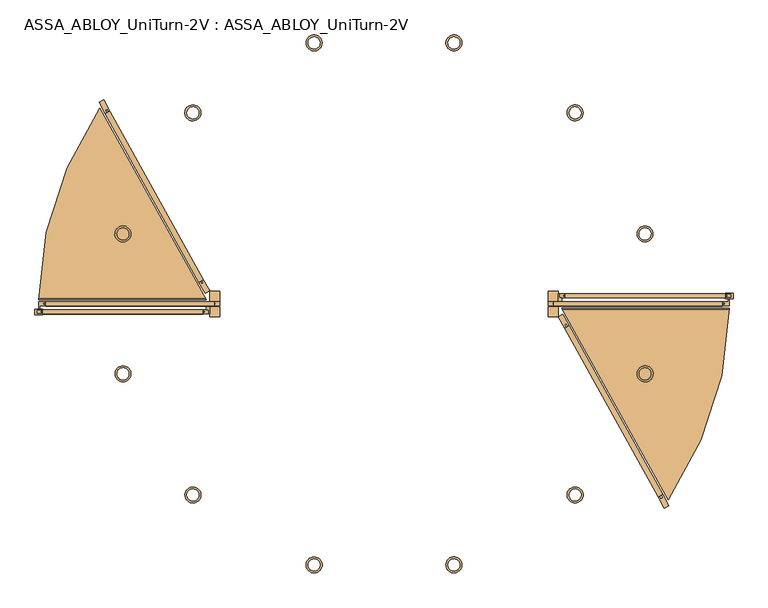
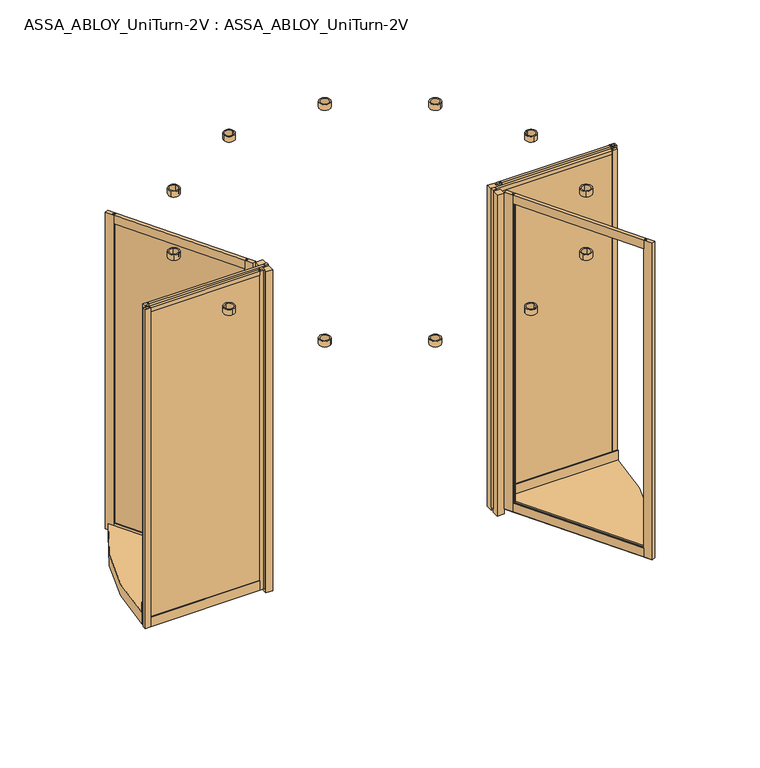
"""IFC4 building model written with IfcOpenShell, lengths in millimetres: door geometry, ASSA_ABLOY_UniTurn-2V : ASSA_ABLOY_UniTurn-2V."""

from ifc_helpers import new_model, si_unit, point, frame, frame_2d, origin, origin_with_axes, place, context, project, spatial, polyline, circle_curve, trimmed, segment, composite_curve, outline, extrude, source, transform, mapped, element, save


def assa_abloy_uniturn_2v_assa_abloy_uniturn_2v_5e2c923c(model_context):
    return source(origin(), model_context, "Body", "SweptSolid", [
        extrude(outline(polyline([(-26.0, 0.0), (0.0, 0.0), (0.0, -65.0), (-7.9999999, -65.0), (-7.9999999, -50.0), (-17.9999999, -50.0), (-17.9999999, -65.0), (-26.0, -65.0), (-26.0, 0.0)])), frame((1494.0883074, -963.2747451, 2483.0), z_axis=(-0.48480962024633434, 0.8746197071393974, 0.0), x_axis=(-0.8746197071393974, -0.48480962024633434, 0.0)), (0.0, 0.0, 1.0), 962.1580806),
        extrude(outline(polyline([(-65.0, 0.0), (0.0, 0.0), (0.0, -26.0), (-65.0, -26.0), (-65.0, -17.9999999), (-50.0, -17.9999999), (-50.0, -7.9999999), (-65.0, -7.9999999), (-65.0, 0.0)])), frame((1494.0883074, -963.2747451, 40.0), z_axis=(-0.48480962024633434, 0.8746197071393974, 0.0), x_axis=(0.0, 0.0, -1.0)), (0.0, 0.0, 1.0), 962.1580806),
        extrude(outline(polyline([(1494.0883074, -963.2747451), (1501.085265, -959.3962682), (1508.3574093, -972.5155638), (1517.1036064, -967.6674676), (1509.8314621, -954.548172), (1516.8284198, -950.669695), (1548.3410451, -1007.519976), (1525.6009327, -1020.1250261), (1494.0883074, -963.2747451)])), frame((0.0, 0.0, 40.0), z_axis=(0.0, 0.0, 1.0), x_axis=(1.0, 0.0, 0.0)), (0.0, 0.0, 1.0), 2443.0),
        extrude(outline(polyline([(1027.6248137, -121.7523264), (996.1121884, -64.9020454), (1018.8523007, -52.2969953), (1050.3649261, -109.1472763), (1043.3679684, -113.0257532), (1036.0958241, -99.9064576), (1027.349627, -104.7545538), (1034.6217713, -117.8738494), (1027.6248137, -121.7523264)])), frame((0.0, 0.0, 40.0), z_axis=(0.0, 0.0, 1.0), x_axis=(1.0, 0.0, 0.0)), (0.0, 0.0, 1.0), 2443.0),
        extrude(outline(polyline([(995.0, 50.0), (1001.0, 50.0), (1001.0, 30.0), (1012.75, 30.0), (1012.75, 13.0), (995.0, 13.0), (995.0, 50.0)])), frame((0.0, 0.0, 24.0), z_axis=(0.0, 0.0, 1.0), x_axis=(1.0, 0.0, 0.0)), (0.0, 0.0, 1.0), 2462.0),
        extrude(outline(polyline([(1859.0, 50.0), (1829.0, 50.0), (1829.0, 54.5), (1869.0, 54.5), (1869.0, 27.0), (1829.0, 27.0), (1829.0, 30.0), (1859.0, 30.0), (1859.0, 50.0)])), frame((0.0, 0.0, 24.0), z_axis=(0.0, 0.0, 1.0), x_axis=(1.0, 0.0, 0.0)), (0.0, 0.0, 1.0), 2462.0),
        extrude(outline(polyline([(35.0, 86.0), (45.0, 86.0), (45.0, 97.0), (50.0, 97.0), (50.0, 24.0), (48.275, 24.0), (48.275, 34.35), (31.725, 34.35), (31.725, 24.0), (30.0, 24.0), (30.0, 97.0), (35.0, 97.0), (35.0, 86.0)])), frame((1031.0, 0.0, 0.0), z_axis=(1.0, 0.0, 0.0), x_axis=(0.0, 1.0, 0.0)), (0.0, 0.0, 1.0), 798.0),
        extrude(outline(polyline([(1840.5, 45.0), (1840.5, 35.0), (1019.5, 35.0), (1019.5, 45.0), (1840.5, 45.0)])), frame((0.0, 0.0, 86.0), z_axis=(0.0, 0.0, 1.0), x_axis=(1.0, 0.0, 0.0)), (0.0, 0.0, 1.0), 2381.5),
        extrude(outline(polyline([(50.0, 2486.0), (50.0, 2456.0), (45.0, 2456.0), (45.0, 2467.5), (35.0, 2467.5), (35.0, 2456.0), (30.0, 2456.0), (30.0, 2486.0), (50.0, 2486.0)])), frame((1031.0, 0.0, 0.0), z_axis=(1.0, 0.0, 0.0), x_axis=(0.0, 1.0, 0.0)), (0.0, 0.0, 1.0), 798.0),
        extrude(outline(polyline([(1829.0, 30.0), (1829.0, 35.0), (1840.5, 35.0), (1840.5, 45.0), (1829.0, 45.0), (1829.0, 50.0), (1859.0, 50.0), (1859.0, 30.0), (1829.0, 30.0)])), frame((0.0, 0.0, 24.0), z_axis=(0.0, 0.0, 1.0), x_axis=(1.0, 0.0, 0.0)), (0.0, 0.0, 1.0), 2462.0),
        extrude(outline(polyline([(1031.0, 30.0), (1001.0, 30.0), (1001.0, 50.0), (1031.0, 50.0), (1031.0, 45.0), (1019.5, 45.0), (1019.5, 35.0), (1031.0, 35.0), (1031.0, 30.0)])), frame((0.0, 0.0, 24.0), z_axis=(0.0, 0.0, 1.0), x_axis=(1.0, 0.0, 0.0)), (0.0, 0.0, 1.0), 2462.0),
        extrude(outline(polyline([(-1576.5, -5.0), (-1576.5, 5.0), (-718.5, 5.0), (-718.5, -5.0), (-1576.5, -5.0)])), frame((0.0, 0.0, 63.0), z_axis=(0.0, 0.0, 1.0), x_axis=(1.0, 0.0, 0.0)), (0.0, 0.0, 1.0), 2404.5),
        extrude(outline(polyline([(-10.0, 2486.0), (10.0, 2486.0), (10.0, 2456.0), (5.0, 2456.0), (5.0, 2467.5), (-5.0, 2467.5), (-5.0, 2456.0), (-10.0, 2456.0), (-10.0, 2486.0)])), frame((-1565.0, 0.0, 0.0), z_axis=(1.0, 0.0, 0.0), x_axis=(0.0, 1.0, 0.0)), (0.0, 0.0, 1.0), 842.0),
        extrude(outline(polyline([(10.0, 74.0), (10.0, 24.0), (8.15, 24.0), (8.15, 34.5), (-8.15, 34.5), (-8.15, 24.0), (-10.0, 24.0), (-10.0, 74.0), (-5.0, 74.0), (-5.0, 63.0), (5.0, 63.0), (5.0, 74.0), (10.0, 74.0)])), frame((-1565.0, 0.0, 0.0), z_axis=(1.0, 0.0, 0.0), x_axis=(0.0, 1.0, 0.0)), (0.0, 0.0, 1.0), 842.0),
        extrude(outline(polyline([(-1565.0, 10.0), (-1565.0, 5.0), (-1576.5, 5.0), (-1576.5, -5.0), (-1565.0, -5.0), (-1565.0, -10.0), (-1594.0, -10.0), (-1594.0, -24.75), (-1601.0, -24.75), (-1601.0, 10.0), (-1565.0, 10.0)])), frame((0.0, 0.0, 24.0), z_axis=(0.0, 0.0, 1.0), x_axis=(1.0, 0.0, 0.0)), (0.0, 0.0, 1.0), 2462.0),
        extrude(outline(polyline([(-723.0, 10.0), (-695.0, 10.0), (-695.0, -10.0), (-723.0, -10.0), (-723.0, -5.0), (-718.5, -5.0), (-718.5, 5.0), (-723.0, 5.0), (-723.0, 10.0)])), frame((0.0, 0.0, 24.0), z_axis=(0.0, 0.0, 1.0), x_axis=(1.0, 0.0, 0.0)), (0.0, 0.0, 1.0), 2462.0),
        extrude(outline(polyline([(-1267.1036064, 967.6674676), (-1258.3574093, 972.5155638), (-777.349627, 104.7545538), (-786.0958241, 99.9064576), (-1267.1036064, 967.6674676)])), frame((0.0, 0.0, 90.0), z_axis=(0.0, 0.0, 1.0), x_axis=(1.0, 0.0, 0.0)), (0.0, 0.0, 1.0), 2343.0),
        extrude(outline(polyline([(26.0, 0.0), (26.0, -65.0), (18.0, -65.0), (18.0, -50.0), (8.0, -50.0), (8.0, -65.0), (0.0, -65.0), (0.0, 0.0), (26.0, 0.0)])), frame((-777.6248137, 121.7523264, 2483.0), z_axis=(-0.48480962024633434, 0.8746197071393974, 0.0), x_axis=(-0.8746197071393974, -0.48480962024633434, 0.0)), (0.0, 0.0, 1.0), 962.1580806),
        extrude(outline(polyline([(65.0, 0.0), (65.0, -8.0), (50.0, -8.0), (50.0, -18.0), (65.0, -18.0), (65.0, -26.0), (0.0, -26.0), (0.0, 0.0), (65.0, 0.0)])), frame((-777.6248137, 121.7523264, 40.0), z_axis=(-0.48480962024633434, 0.8746197071393974, 0.0), x_axis=(0.0, 0.0, 1.0)), (0.0, 0.0, 1.0), 962.1580806),
        extrude(outline(polyline([(-1244.0883074, 963.2747451), (-1251.085265, 959.3962682), (-1258.3574093, 972.5155638), (-1267.1036064, 967.6674676), (-1259.8314621, 954.548172), (-1266.8284198, 950.669695), (-1298.3410451, 1007.519976), (-1275.6009327, 1020.1250261), (-1244.0883074, 963.2747451)])), frame((0.0, 0.0, 40.0), z_axis=(0.0, 0.0, 1.0), x_axis=(1.0, 0.0, 0.0)), (0.0, 0.0, 1.0), 2443.0),
        extrude(outline(polyline([(-777.6248137, 121.7523264), (-746.1121884, 64.9020454), (-768.8523007, 52.2969953), (-800.3649261, 109.1472763), (-793.3679684, 113.0257532), (-786.0958241, 99.9064576), (-777.349627, 104.7545538), (-784.6217713, 117.8738494), (-777.6248137, 121.7523264)])), frame((0.0, 0.0, 40.0), z_axis=(0.0, 0.0, 1.0), x_axis=(1.0, 0.0, 0.0)), (0.0, 0.0, 1.0), 2443.0),
        extrude(outline(polyline([(-745.0, -50.0), (-751.0, -50.0), (-751.0, -30.0), (-762.75, -30.0), (-762.75, -13.0), (-745.0, -13.0), (-745.0, -50.0)])), frame((0.0, 0.0, 24.0), z_axis=(0.0, 0.0, 1.0), x_axis=(1.0, 0.0, 0.0)), (0.0, 0.0, 1.0), 2462.0),
        extrude(outline(polyline([(-1609.0, -50.0), (-1579.0, -50.0), (-1579.0, -54.5), (-1619.0, -54.5), (-1619.0, -27.0), (-1579.0, -27.0), (-1579.0, -30.0), (-1609.0, -30.0), (-1609.0, -50.0)])), frame((0.0, 0.0, 24.0), z_axis=(0.0, 0.0, 1.0), x_axis=(1.0, 0.0, 0.0)), (0.0, 0.0, 1.0), 2462.0),
        extrude(outline(polyline([(-35.0, 86.0), (-35.0, 97.0), (-30.0, 97.0), (-30.0, 24.0), (-31.725, 24.0), (-31.725, 34.35), (-48.275, 34.35), (-48.275, 24.0), (-50.0, 24.0), (-50.0, 97.0), (-45.0, 97.0), (-45.0, 86.0), (-35.0, 86.0)])), frame((-1579.0, 0.0, 0.0), z_axis=(1.0, 0.0, 0.0), x_axis=(0.0, 1.0, 0.0)), (0.0, 0.0, 1.0), 798.0),
        extrude(outline(polyline([(-1590.5, -45.0), (-1590.5, -35.0), (-769.5, -35.0), (-769.5, -45.0), (-1590.5, -45.0)])), frame((0.0, 0.0, 86.0), z_axis=(0.0, 0.0, 1.0), x_axis=(1.0, 0.0, 0.0)), (0.0, 0.0, 1.0), 2381.5),
        extrude(outline(polyline([(-50.0, 2486.0), (-30.0, 2486.0), (-30.0, 2456.0), (-35.0, 2456.0), (-35.0, 2467.5), (-45.0, 2467.5), (-45.0, 2456.0), (-50.0, 2456.0), (-50.0, 2486.0)])), frame((-1579.0, 0.0, 0.0), z_axis=(1.0, 0.0, 0.0), x_axis=(0.0, 1.0, 0.0)), (0.0, 0.0, 1.0), 798.0),
        extrude(outline(polyline([(-1579.0, -30.0), (-1579.0, -35.0), (-1590.5, -35.0), (-1590.5, -45.0), (-1579.0, -45.0), (-1579.0, -50.0), (-1609.0, -50.0), (-1609.0, -30.0), (-1579.0, -30.0)])), frame((0.0, 0.0, 24.0), z_axis=(0.0, 0.0, 1.0), x_axis=(1.0, 0.0, 0.0)), (0.0, 0.0, 1.0), 2462.0),
        extrude(outline(polyline([(-781.0, -30.0), (-751.0, -30.0), (-751.0, -50.0), (-781.0, -50.0), (-781.0, -45.0), (-769.5, -45.0), (-769.5, -35.0), (-781.0, -35.0), (-781.0, -30.0)])), frame((0.0, 0.0, 24.0), z_axis=(0.0, 0.0, 1.0), x_axis=(1.0, 0.0, 0.0)), (0.0, 0.0, 1.0), 2462.0),
        extrude(outline(polyline([(1826.5, 5.0), (1826.5, -5.0), (968.5, -5.0), (968.5, 5.0), (1826.5, 5.0)])), frame((0.0, 0.0, 63.0), z_axis=(0.0, 0.0, 1.0), x_axis=(1.0, 0.0, 0.0)), (0.0, 0.0, 1.0), 2404.5),
        extrude(outline(polyline([(10.0, 2486.0), (10.0, 2456.0), (5.0, 2456.0), (5.0, 2467.5), (-5.0, 2467.5), (-5.0, 2456.0), (-10.0, 2456.0), (-10.0, 2486.0), (10.0, 2486.0)])), frame((973.0, 0.0, 0.0), z_axis=(1.0, 0.0, 0.0), x_axis=(0.0, 1.0, 0.0)), (0.0, 0.0, 1.0), 842.0),
        extrude(outline(polyline([(-10.0, 74.0), (-5.0, 74.0), (-5.0, 63.0), (5.0, 63.0), (5.0, 74.0), (10.0, 74.0), (10.0, 24.0), (8.15, 24.0), (8.15, 34.5), (-8.15, 34.5), (-8.15, 24.0), (-10.0, 24.0), (-10.0, 74.0)])), frame((973.0, 0.0, 0.0), z_axis=(1.0, 0.0, 0.0), x_axis=(0.0, 1.0, 0.0)), (0.0, 0.0, 1.0), 842.0),
        extrude(outline(polyline([(1815.0, -10.0), (1815.0, -5.0), (1826.5, -5.0), (1826.5, 5.0), (1815.0, 5.0), (1815.0, 10.0), (1844.0, 10.0), (1844.0, 24.75), (1851.0, 24.75), (1851.0, -10.0), (1815.0, -10.0)])), frame((0.0, 0.0, 24.0), z_axis=(0.0, 0.0, 1.0), x_axis=(1.0, 0.0, 0.0)), (0.0, 0.0, 1.0), 2462.0),
        extrude(outline(polyline([(973.0, -10.0), (945.0, -10.0), (945.0, 10.0), (973.0, 10.0), (973.0, 5.0), (968.5, 5.0), (968.5, -5.0), (973.0, -5.0), (973.0, -10.0)])), frame((0.0, 0.0, 24.0), z_axis=(0.0, 0.0, 1.0), x_axis=(1.0, 0.0, 0.0)), (0.0, 0.0, 1.0), 2462.0),
        extrude(outline(composite_curve([segment(trimmed(circle_curve(frame_2d((125.0, 0.0)), 1724.0), [point((1848.8839868, -20.0))], [point((1848.818726, -25.0))], False, "CARTESIAN"), True, "CONTINUOUS"), segment(polyline([(1848.818726, -25.0), (1015.1548698, -25.0), (1012.3833246, -20.0), (1848.8839868, -20.0)]), True, "CONTINUOUS")], self_intersect=False)), frame((0.0, 0.0, 95.0), z_axis=(0.0, 0.0, 1.0), x_axis=(1.0, 0.0, 0.0)), (0.0, 0.0, 1.0), 75.0),
        extrude(outline(composite_curve([segment(trimmed(circle_curve(frame_2d((125.0, 0.0)), 1724.0), [point((-1598.8839868, 20.0))], [point((-1598.7922237, 26.765081))], False, "CARTESIAN"), True, "CONTINUOUS"), segment(polyline([(-1598.7922237, 26.765081), (-766.1332702, 26.765081), (-762.3833246, 20.0), (-1598.8839868, 20.0)]), True, "CONTINUOUS")], self_intersect=False)), frame((0.0, 0.0, 95.0), z_axis=(0.0, 0.0, 1.0), x_axis=(1.0, 0.0, 0.0)), (0.0, 0.0, 1.0), 75.0),
        extrude(outline(composite_curve([segment(polyline([(1544.0082967, -979.0768376), (1012.3833246, -20.0), (1848.8839868, -20.0)]), True, "CONTINUOUS"), segment(trimmed(circle_curve(frame_2d((125.0, 0.0)), 1724.0), [point((1848.8839868, -20.0))], [point((1544.0082967, -979.0768376))], False, "CARTESIAN"), True, "CONTINUOUS")], self_intersect=False)), frame((0.0, 0.0, 8.0), z_axis=(0.0, 0.0, 1.0), x_axis=(1.0, 0.0, 0.0)), (0.0, 0.0, 1.0), 87.0),
        extrude(outline(composite_curve([segment(trimmed(circle_curve(frame_2d((125.0, 0.0)), 1724.0), [point((-1598.8839868, 20.0))], [point((-1294.0082967, 979.0768376))], False, "CARTESIAN"), True, "CONTINUOUS"), segment(polyline([(-1294.0082967, 979.0768376), (-762.3833246, 20.0), (-1598.8839868, 20.0)]), True, "CONTINUOUS")], self_intersect=False)), frame((0.0, 0.0, 8.0), z_axis=(0.0, 0.0, 1.0), x_axis=(1.0, 0.0, 0.0)), (0.0, 0.0, 1.0), 87.0),
        extrude(outline(polyline([(945.0, 13.0), (945.0, 63.0), (995.0, 63.0), (995.0, 13.0), (945.0, 13.0)])), origin_with_axes(), (0.0, 0.0, 1.0), 2477.0),
        extrude(outline(polyline([(945.0, -63.0), (945.0, -13.0), (995.0, -13.0), (995.0, -63.0), (945.0, -63.0)])), origin_with_axes(), (0.0, 0.0, 1.0), 2477.0),
        extrude(outline(polyline([(-745.0, -63.0), (-745.0, -13.0), (-695.0, -13.0), (-695.0, -63.0), (-745.0, -63.0)])), origin_with_axes(), (0.0, 0.0, 1.0), 2477.0),
        extrude(outline(polyline([(-745.0, 13.0), (-745.0, 63.0), (-695.0, 63.0), (-695.0, 13.0), (-745.0, 13.0)])), origin_with_axes(), (0.0, 0.0, 1.0), 2477.0),
        extrude(outline(composite_curve([segment(trimmed(circle_curve(frame_2d((-829.5941546, -954.5941546)), 40.0), [point((-809.5941546, -989.2351708))], [point((-849.5941546, -919.9531385))], False, "CARTESIAN"), True, "CONTINUOUS"), segment(trimmed(circle_curve(frame_2d((-829.5941546, -954.5941546)), 40.0), [point((-849.5941546, -919.9531385))], [point((-809.5941546, -989.2351708))], False, "CARTESIAN"), True, "CONTINUOUS")], self_intersect=False), holes=[composite_curve([segment(trimmed(circle_curve(frame_2d((-829.5941546, -954.5941546)), 30.0), [point((-850.807358, -933.3809512))], [point((-808.3809512, -975.807358))], True, "CARTESIAN"), True, "CONTINUOUS"), segment(trimmed(circle_curve(frame_2d((-829.5941546, -954.5941546)), 30.0), [point((-808.3809512, -975.807358))], [point((-850.807358, -933.3809512))], True, "CARTESIAN"), True, "CONTINUOUS")], self_intersect=False)]), frame((0.0, 0.0, 2496.2), z_axis=(0.0, 0.0, 1.0), x_axis=(1.0, 0.0, 0.0)), (0.0, 0.0, 1.0), 42.8),
        extrude(outline(composite_curve([segment(trimmed(circle_curve(frame_2d((-1178.9998655, -349.4057109)), 40.0), [point((-1178.9998655, -389.4057109))], [point((-1178.9998655, -309.4057109))], False, "CARTESIAN"), True, "CONTINUOUS"), segment(trimmed(circle_curve(frame_2d((-1178.9998655, -349.4057109)), 40.0), [point((-1178.9998655, -309.4057109))], [point((-1178.9998655, -389.4057109))], False, "CARTESIAN"), True, "CONTINUOUS")], self_intersect=False), holes=[composite_curve([segment(trimmed(circle_curve(frame_2d((-1178.9998655, -349.4057109)), 30.0), [point((-1186.7644368, -320.4279361))], [point((-1171.2352941, -378.3834857))], True, "CARTESIAN"), True, "CONTINUOUS"), segment(trimmed(circle_curve(frame_2d((-1178.9998655, -349.4057109)), 30.0), [point((-1171.2352941, -378.3834857))], [point((-1186.7644368, -320.4279361))], True, "CARTESIAN"), True, "CONTINUOUS")], self_intersect=False)]), frame((0.0, 0.0, 2496.2), z_axis=(0.0, 0.0, 1.0), x_axis=(1.0, 0.0, 0.0)), (0.0, 0.0, 1.0), 42.8),
        extrude(outline(composite_curve([segment(trimmed(circle_curve(frame_2d((-1178.9998655, 349.4057109)), 40.0), [point((-1198.9998655, 314.7646947))], [point((-1158.9998655, 384.046727))], False, "CARTESIAN"), True, "CONTINUOUS"), segment(trimmed(circle_curve(frame_2d((-1178.9998655, 349.4057109)), 40.0), [point((-1158.9998655, 384.046727))], [point((-1198.9998655, 314.7646947))], False, "CARTESIAN"), True, "CONTINUOUS")], self_intersect=False), holes=[composite_curve([segment(trimmed(circle_curve(frame_2d((-1178.9998655, 349.4057109)), 30.0), [point((-1171.2352941, 378.3834857))], [point((-1186.7644368, 320.4279361))], True, "CARTESIAN"), True, "CONTINUOUS"), segment(trimmed(circle_curve(frame_2d((-1178.9998655, 349.4057109)), 30.0), [point((-1186.7644368, 320.4279361))], [point((-1171.2352941, 378.3834857))], True, "CARTESIAN"), True, "CONTINUOUS")], self_intersect=False)]), frame((0.0, 0.0, 2496.2), z_axis=(0.0, 0.0, 1.0), x_axis=(1.0, 0.0, 0.0)), (0.0, 0.0, 1.0), 42.8),
        extrude(outline(composite_curve([segment(trimmed(circle_curve(frame_2d((-829.5941546, 954.5941546)), 40.0), [point((-864.2351708, 934.5941546))], [point((-794.9531385, 974.5941546))], False, "CARTESIAN"), True, "CONTINUOUS"), segment(trimmed(circle_curve(frame_2d((-829.5941546, 954.5941546)), 40.0), [point((-794.9531385, 974.5941546))], [point((-864.2351708, 934.5941546))], False, "CARTESIAN"), True, "CONTINUOUS")], self_intersect=False), holes=[composite_curve([segment(trimmed(circle_curve(frame_2d((-829.5941546, 954.5941546)), 30.0), [point((-808.3809512, 975.807358))], [point((-850.807358, 933.3809512))], True, "CARTESIAN"), True, "CONTINUOUS"), segment(trimmed(circle_curve(frame_2d((-829.5941546, 954.5941546)), 30.0), [point((-850.807358, 933.3809512))], [point((-808.3809512, 975.807358))], True, "CARTESIAN"), True, "CONTINUOUS")], self_intersect=False)]), frame((0.0, 0.0, 2496.2), z_axis=(0.0, 0.0, 1.0), x_axis=(1.0, 0.0, 0.0)), (0.0, 0.0, 1.0), 42.8),
        extrude(outline(composite_curve([segment(trimmed(circle_curve(frame_2d((-224.4057109, 1303.9998655)), 40.0), [point((-264.4057109, 1303.9998655))], [point((-184.4057109, 1303.9998655))], False, "CARTESIAN"), True, "CONTINUOUS"), segment(trimmed(circle_curve(frame_2d((-224.4057109, 1303.9998655)), 40.0), [point((-184.4057109, 1303.9998655))], [point((-264.4057109, 1303.9998655))], False, "CARTESIAN"), True, "CONTINUOUS")], self_intersect=False), holes=[composite_curve([segment(trimmed(circle_curve(frame_2d((-224.4057109, 1303.9998655)), 30.0), [point((-195.4279361, 1311.7644368))], [point((-253.3834857, 1296.2352941))], True, "CARTESIAN"), True, "CONTINUOUS"), segment(trimmed(circle_curve(frame_2d((-224.4057109, 1303.9998655)), 30.0), [point((-253.3834857, 1296.2352941))], [point((-195.4279361, 1311.7644368))], True, "CARTESIAN"), True, "CONTINUOUS")], self_intersect=False)]), frame((0.0, 0.0, 2496.2), z_axis=(0.0, 0.0, 1.0), x_axis=(1.0, 0.0, 0.0)), (0.0, 0.0, 1.0), 42.8),
        extrude(outline(composite_curve([segment(trimmed(circle_curve(frame_2d((474.4057109, 1303.9998655)), 40.0), [point((439.7646947, 1323.9998655))], [point((509.046727, 1283.9998655))], False, "CARTESIAN"), True, "CONTINUOUS"), segment(trimmed(circle_curve(frame_2d((474.4057109, 1303.9998655)), 40.0), [point((509.046727, 1283.9998655))], [point((439.7646947, 1323.9998655))], False, "CARTESIAN"), True, "CONTINUOUS")], self_intersect=False), holes=[composite_curve([segment(trimmed(circle_curve(frame_2d((474.4057109, 1303.9998655)), 30.0), [point((503.3834857, 1296.2352941))], [point((445.4279361, 1311.7644368))], True, "CARTESIAN"), True, "CONTINUOUS"), segment(trimmed(circle_curve(frame_2d((474.4057109, 1303.9998655)), 30.0), [point((445.4279361, 1311.7644368))], [point((503.3834857, 1296.2352941))], True, "CARTESIAN"), True, "CONTINUOUS")], self_intersect=False)]), frame((0.0, 0.0, 2496.2), z_axis=(0.0, 0.0, 1.0), x_axis=(1.0, 0.0, 0.0)), (0.0, 0.0, 1.0), 42.8),
        extrude(outline(composite_curve([segment(trimmed(circle_curve(frame_2d((1079.5941546, 954.5941546)), 40.0), [point((1059.5941546, 989.2351708))], [point((1099.5941546, 919.9531385))], False, "CARTESIAN"), True, "CONTINUOUS"), segment(trimmed(circle_curve(frame_2d((1079.5941546, 954.5941546)), 40.0), [point((1099.5941546, 919.9531385))], [point((1059.5941546, 989.2351708))], False, "CARTESIAN"), True, "CONTINUOUS")], self_intersect=False), holes=[composite_curve([segment(trimmed(circle_curve(frame_2d((1079.5941546, 954.5941546)), 30.0), [point((1100.807358, 933.3809512))], [point((1058.3809512, 975.807358))], True, "CARTESIAN"), True, "CONTINUOUS"), segment(trimmed(circle_curve(frame_2d((1079.5941546, 954.5941546)), 30.0), [point((1058.3809512, 975.807358))], [point((1100.807358, 933.3809512))], True, "CARTESIAN"), True, "CONTINUOUS")], self_intersect=False)]), frame((0.0, 0.0, 2496.2), z_axis=(0.0, 0.0, 1.0), x_axis=(1.0, 0.0, 0.0)), (0.0, 0.0, 1.0), 42.8),
        extrude(outline(composite_curve([segment(trimmed(circle_curve(frame_2d((1428.9998655, 349.4057109)), 40.0), [point((1428.9998655, 389.4057109))], [point((1428.9998655, 309.4057109))], False, "CARTESIAN"), True, "CONTINUOUS"), segment(trimmed(circle_curve(frame_2d((1428.9998655, 349.4057109)), 40.0), [point((1428.9998655, 309.4057109))], [point((1428.9998655, 389.4057109))], False, "CARTESIAN"), True, "CONTINUOUS")], self_intersect=False), holes=[composite_curve([segment(trimmed(circle_curve(frame_2d((1428.9998655, 349.4057109)), 30.0), [point((1436.7644368, 320.4279361))], [point((1421.2352941, 378.3834857))], True, "CARTESIAN"), True, "CONTINUOUS"), segment(trimmed(circle_curve(frame_2d((1428.9998655, 349.4057109)), 30.0), [point((1421.2352941, 378.3834857))], [point((1436.7644368, 320.4279361))], True, "CARTESIAN"), True, "CONTINUOUS")], self_intersect=False)]), frame((0.0, 0.0, 2496.2), z_axis=(0.0, 0.0, 1.0), x_axis=(1.0, 0.0, 0.0)), (0.0, 0.0, 1.0), 42.8),
        extrude(outline(composite_curve([segment(trimmed(circle_curve(frame_2d((1428.9998655, -349.4057109)), 40.0), [point((1448.9998655, -314.7646947))], [point((1408.9998655, -384.046727))], False, "CARTESIAN"), True, "CONTINUOUS"), segment(trimmed(circle_curve(frame_2d((1428.9998655, -349.4057109)), 40.0), [point((1408.9998655, -384.046727))], [point((1448.9998655, -314.7646947))], False, "CARTESIAN"), True, "CONTINUOUS")], self_intersect=False), holes=[composite_curve([segment(trimmed(circle_curve(frame_2d((1428.9998655, -349.4057109)), 30.0), [point((1421.2352941, -378.3834857))], [point((1436.7644368, -320.4279361))], True, "CARTESIAN"), True, "CONTINUOUS"), segment(trimmed(circle_curve(frame_2d((1428.9998655, -349.4057109)), 30.0), [point((1436.7644368, -320.4279361))], [point((1421.2352941, -378.3834857))], True, "CARTESIAN"), True, "CONTINUOUS")], self_intersect=False)]), frame((0.0, 0.0, 2496.2), z_axis=(0.0, 0.0, 1.0), x_axis=(1.0, 0.0, 0.0)), (0.0, 0.0, 1.0), 42.8),
        extrude(outline(composite_curve([segment(trimmed(circle_curve(frame_2d((1079.5941546, -954.5941546)), 40.0), [point((1114.2351708, -934.5941546))], [point((1044.9531385, -974.5941546))], False, "CARTESIAN"), True, "CONTINUOUS"), segment(trimmed(circle_curve(frame_2d((1079.5941546, -954.5941546)), 40.0), [point((1044.9531385, -974.5941546))], [point((1114.2351708, -934.5941546))], False, "CARTESIAN"), True, "CONTINUOUS")], self_intersect=False), holes=[composite_curve([segment(trimmed(circle_curve(frame_2d((1079.5941546, -954.5941546)), 30.0), [point((1058.3809512, -975.807358))], [point((1100.807358, -933.3809512))], True, "CARTESIAN"), True, "CONTINUOUS"), segment(trimmed(circle_curve(frame_2d((1079.5941546, -954.5941546)), 30.0), [point((1100.807358, -933.3809512))], [point((1058.3809512, -975.807358))], True, "CARTESIAN"), True, "CONTINUOUS")], self_intersect=False)]), frame((0.0, 0.0, 2496.2), z_axis=(0.0, 0.0, 1.0), x_axis=(1.0, 0.0, 0.0)), (0.0, 0.0, 1.0), 42.8),
        extrude(outline(composite_curve([segment(trimmed(circle_curve(frame_2d((474.4057109, -1303.9998655)), 40.0), [point((514.4057109, -1303.9998655))], [point((434.4057109, -1303.9998655))], False, "CARTESIAN"), True, "CONTINUOUS"), segment(trimmed(circle_curve(frame_2d((474.4057109, -1303.9998655)), 40.0), [point((434.4057109, -1303.9998655))], [point((514.4057109, -1303.9998655))], False, "CARTESIAN"), True, "CONTINUOUS")], self_intersect=False), holes=[composite_curve([segment(trimmed(circle_curve(frame_2d((474.4057109, -1303.9998655)), 30.0), [point((445.4279361, -1311.7644368))], [point((503.3834857, -1296.2352941))], True, "CARTESIAN"), True, "CONTINUOUS"), segment(trimmed(circle_curve(frame_2d((474.4057109, -1303.9998655)), 30.0), [point((503.3834857, -1296.2352941))], [point((445.4279361, -1311.7644368))], True, "CARTESIAN"), True, "CONTINUOUS")], self_intersect=False)]), frame((0.0, 0.0, 2496.2), z_axis=(0.0, 0.0, 1.0), x_axis=(1.0, 0.0, 0.0)), (0.0, 0.0, 1.0), 42.8),
        extrude(outline(composite_curve([segment(trimmed(circle_curve(frame_2d((-224.4057109, -1303.9998655)), 40.0), [point((-189.7646947, -1323.9998655))], [point((-259.046727, -1283.9998655))], False, "CARTESIAN"), True, "CONTINUOUS"), segment(trimmed(circle_curve(frame_2d((-224.4057109, -1303.9998655)), 40.0), [point((-259.046727, -1283.9998655))], [point((-189.7646947, -1323.9998655))], False, "CARTESIAN"), True, "CONTINUOUS")], self_intersect=False), holes=[composite_curve([segment(trimmed(circle_curve(frame_2d((-224.4057109, -1303.9998655)), 30.0), [point((-253.3834857, -1296.2352941))], [point((-195.4279361, -1311.7644368))], True, "CARTESIAN"), True, "CONTINUOUS"), segment(trimmed(circle_curve(frame_2d((-224.4057109, -1303.9998655)), 30.0), [point((-195.4279361, -1311.7644368))], [point((-253.3834857, -1296.2352941))], True, "CARTESIAN"), True, "CONTINUOUS")], self_intersect=False)]), frame((0.0, 0.0, 2496.2), z_axis=(0.0, 0.0, 1.0), x_axis=(1.0, 0.0, 0.0)), (0.0, 0.0, 1.0), 42.8),
    ])


if __name__ == "__main__":
    model = new_model("IFC4")
    model_context = context("Model", 3, world=origin())
    ifc_project = project(units=[si_unit("LENGTHUNIT", "METRE", prefix="MILLI")], contexts=[model_context])
    site = spatial("IfcSite", under=ifc_project)
    building = spatial("IfcBuilding", under=site)
    placement = place(None, origin())
    assa_abloy_uniturn_2v_assa_abloy_uniturn_2v_shape = assa_abloy_uniturn_2v_assa_abloy_uniturn_2v_5e2c923c(model_context)
    element("IfcDoor", 1, ObjectType="ASSA_ABLOY_UniTurn-2V : ASSA_ABLOY_UniTurn-2V", at=placement, inside=building, context=model_context, shape_type="MappedRepresentation", body=[
        mapped(assa_abloy_uniturn_2v_assa_abloy_uniturn_2v_shape, transform((0.0, 0.0, 0.0), x_axis=(1.0, 0.0, 0.0), y_axis=(0.0, 1.0, 0.0), z_axis=(0.0, 0.0, 1.0))),
    ])
    save(model, "model.ifc")
